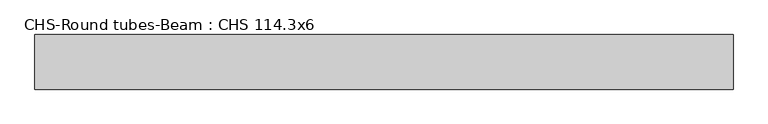
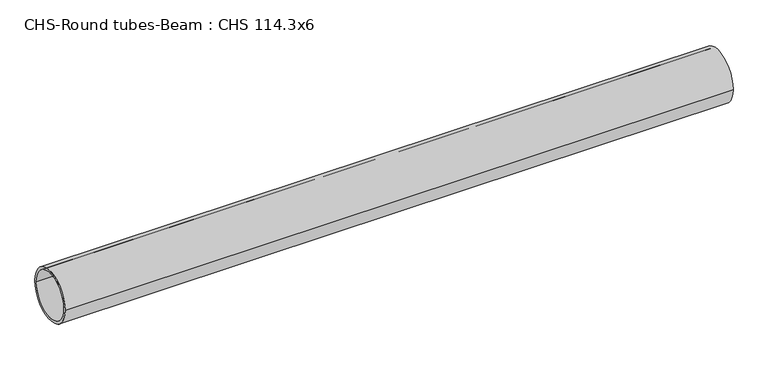
"""IFC4 building model written with IfcOpenShell, lengths in millimetres: beam geometry, CHS-Round tubes-Beam : CHS 114.3x6."""

from ifc_helpers import new_model, si_unit, point, frame, origin, origin_2d, place, context, project, spatial, circle_curve, trimmed, segment, composite_curve, outline, extrude, source, transform, mapped, element, save


def chs_round_tubes_beam_chs_114_3x6_e21929c4(model_context):
    return source(origin(), model_context, "Body", "SweptSolid", [
        extrude(outline(composite_curve([segment(trimmed(circle_curve(origin_2d(), 57.15), [point((57.15, 0.0))], [point((-57.15, 0.0))], False, "CARTESIAN"), True, "CONTINUOUS"), segment(trimmed(circle_curve(origin_2d(), 57.15), [point((-57.15, 0.0))], [point((57.15, 0.0))], False, "CARTESIAN"), True, "CONTINUOUS")], self_intersect=False), holes=[composite_curve([segment(trimmed(circle_curve(origin_2d(), 51.15), [point((51.15, 0.0))], [point((-51.15, 0.0))], True, "CARTESIAN"), True, "CONTINUOUS"), segment(trimmed(circle_curve(origin_2d(), 51.15), [point((-51.15, 0.0))], [point((51.15, 0.0))], True, "CARTESIAN"), True, "CONTINUOUS")], self_intersect=False)]), frame((-720.3063471, 0.0, 0.0), z_axis=(1.0, 0.0, 0.0), x_axis=(0.0, 1.0, 0.0)), (0.0, 0.0, 1.0), 1461.8942119),
    ])


if __name__ == "__main__":
    model = new_model("IFC4")
    model_context = context("Model", 3, world=origin())
    ifc_project = project(units=[si_unit("LENGTHUNIT", "METRE", prefix="MILLI")], contexts=[model_context])
    site = spatial("IfcSite", under=ifc_project)
    building = spatial("IfcBuilding", under=site)
    placement = place(None, origin())
    chs_round_tubes_beam_chs_114_3x6_shape = chs_round_tubes_beam_chs_114_3x6_e21929c4(model_context)
    element("IfcBeam", 1, ObjectType="CHS-Round tubes-Beam : CHS 114.3x6", at=placement, inside=building, context=model_context, shape_type="MappedRepresentation", body=[
        mapped(chs_round_tubes_beam_chs_114_3x6_shape, transform((0.0, 0.0, 0.0), x_axis=(1.0, 0.0, 0.0), y_axis=(0.0, 1.0, 0.0), z_axis=(0.0, 0.0, 1.0))),
    ])
    save(model, "model.ifc")
